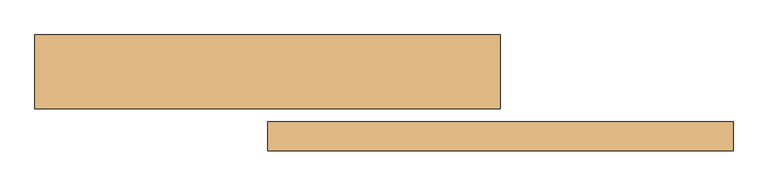
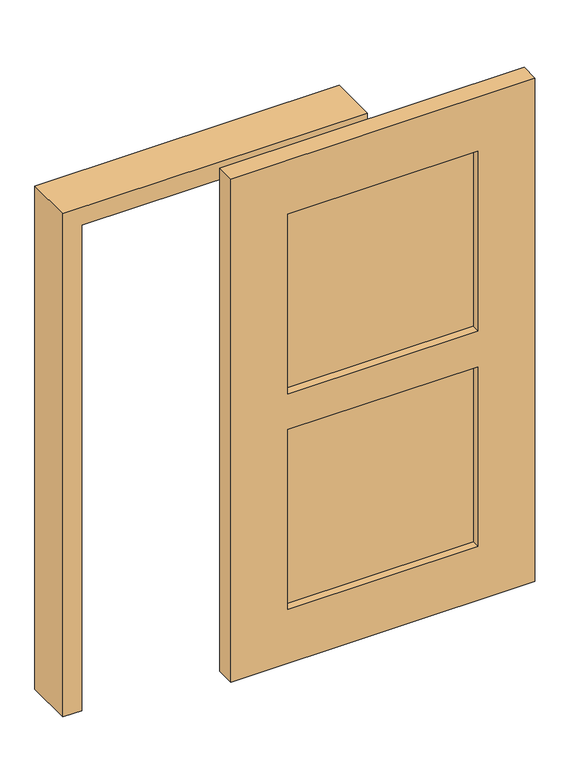
"""IFC4 building model written with IfcOpenShell, lengths in millimetres: door geometry."""

from ifc_helpers import new_model, si_unit, frame, origin, place, context, project, spatial, polyline, outline, extrude, source, transform, mapped, element, save


def door_a8c42a28(model_context):
    return source(origin(), model_context, "Body", "SweptSolid", [
        extrude(outline(polyline([(990.6, -167.7876379), (990.6, -178.2873621), (228.6, -178.2873621), (228.6, -167.7876379), (990.6, -167.7876379)])), frame((0.0, 0.0, 228.6), z_axis=(0.0, 0.0, 1.0), x_axis=(1.0, 0.0, 0.0)), (0.0, 0.0, 1.0), 762.0),
        extrude(outline(polyline([(990.6, -167.7876379), (990.6, -178.2873621), (228.6, -178.2873621), (228.6, -167.7876379), (990.6, -167.7876379)])), frame((0.0, 0.0, 1143.0), z_axis=(0.0, 0.0, 1.0), x_axis=(1.0, 0.0, 0.0)), (0.0, 0.0, 1.0), 762.0),
        extrude(outline(polyline([(0.0, 1219.1773827), (2133.6, 1219.1773827), (2133.6, 0.0), (0.0, 0.0), (0.0, 1219.1773827)]), holes=[polyline([(228.6, 228.6), (990.6, 228.6), (990.6, 990.6), (228.6, 990.6), (228.6, 228.6)]), polyline([(1905.0, 228.6), (1905.0, 990.6), (1143.0, 990.6), (1143.0, 228.6), (1905.0, 228.6)])]), frame((0.0, -211.1375, 0.0), z_axis=(0.0, 1.0, 0.0), x_axis=(0.0, 0.0, 1.0)), (0.0, 0.0, 1.0), 76.2),
        extrude(outline(polyline([(2057.4, -533.4), (2057.4, 533.4), (0.0, 533.4), (0.0, 609.6), (2133.6, 609.6), (2133.6, -609.6), (0.0, -609.6), (0.0, -533.4), (2057.4, -533.4)])), frame((0.0, -101.6, 0.0), z_axis=(0.0, 1.0, 0.0), x_axis=(0.0, 0.0, 1.0)), (0.0, 0.0, 1.0), 193.675),
    ])


if __name__ == "__main__":
    model = new_model("IFC4")
    model_context = context("Model", 3, world=origin())
    ifc_project = project(units=[si_unit("LENGTHUNIT", "METRE", prefix="MILLI")], contexts=[model_context])
    site = spatial("IfcSite", under=ifc_project)
    building = spatial("IfcBuilding", under=site)
    placement = place(None, origin())
    door_shape = door_a8c42a28(model_context)
    element("IfcDoor", 1, at=placement, inside=building, context=model_context, shape_type="MappedRepresentation", body=[
        mapped(door_shape, transform((0.0, 0.0, 0.0), x_axis=(1.0, 0.0, 0.0), y_axis=(0.0, 1.0, 0.0), z_axis=(0.0, 0.0, 1.0))),
    ])
    save(model, "model.ifc")
